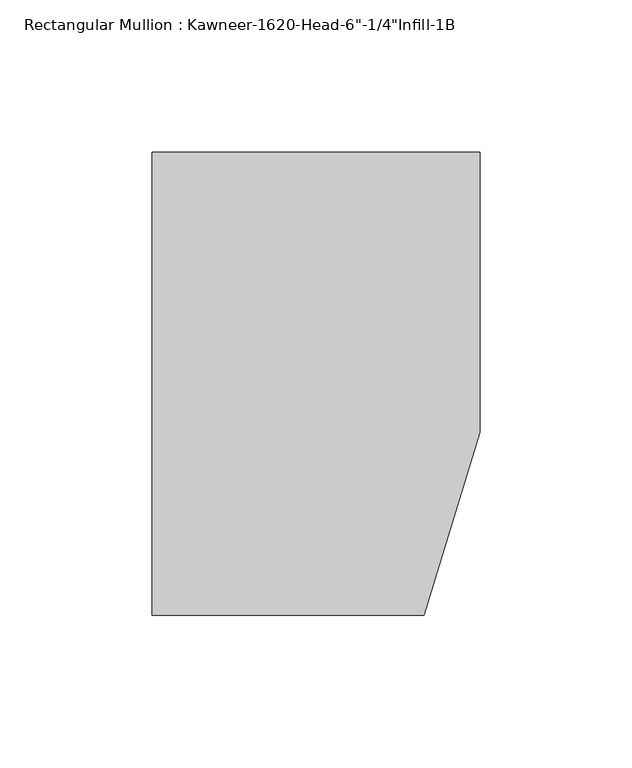
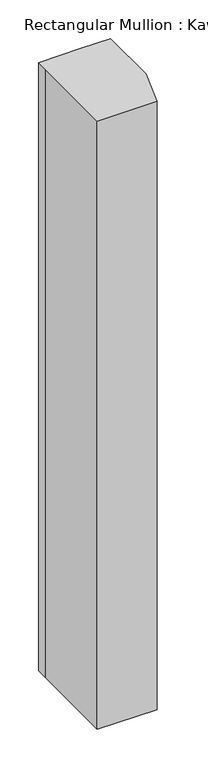
"""IFC4 building model written with IfcOpenShell, lengths in millimetres: member geometry."""

from ifc_helpers import new_model, si_unit, frame, origin, place, context, project, spatial, polyline, outline, extrude, source, transform, mapped, element, save


def member_6f47fb92(model_context):
    return source(origin(), model_context, "Body", "SweptSolid", [
        extrude(outline(polyline([(-107.95, 10.3845466), (-107.95, 28.575), (-44.1519366, 28.575), (0.0, 28.575), (0.0, -63.5), (-18.3538271, -123.825), (-107.95, -123.825), (-107.95, 10.3845466)])), frame((0.0, 0.0, -961.3480791), z_axis=(0.0, 0.0, 1.0), x_axis=(1.0, 0.0, 0.0)), (0.0, 0.0, 1.0), 961.3480791),
    ])


if __name__ == "__main__":
    model = new_model("IFC4")
    model_context = context("Model", 3, world=origin())
    ifc_project = project(units=[si_unit("LENGTHUNIT", "METRE", prefix="MILLI")], contexts=[model_context])
    site = spatial("IfcSite", under=ifc_project)
    building = spatial("IfcBuilding", under=site)
    placement = place(None, origin())
    member_shape = member_6f47fb92(model_context)
    element("IfcMember", 1, ObjectType="Rectangular Mullion : Kawneer-1620-Head-6\"-1/4\"Infill-1B", at=placement, inside=building, context=model_context, shape_type="MappedRepresentation", body=[
        mapped(member_shape, transform((0.0, 0.0, 0.0), x_axis=(1.0, 0.0, 0.0), y_axis=(0.0, 1.0, 0.0), z_axis=(0.0, 0.0, 1.0))),
    ])
    save(model, "model.ifc")
